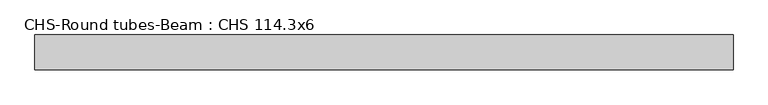
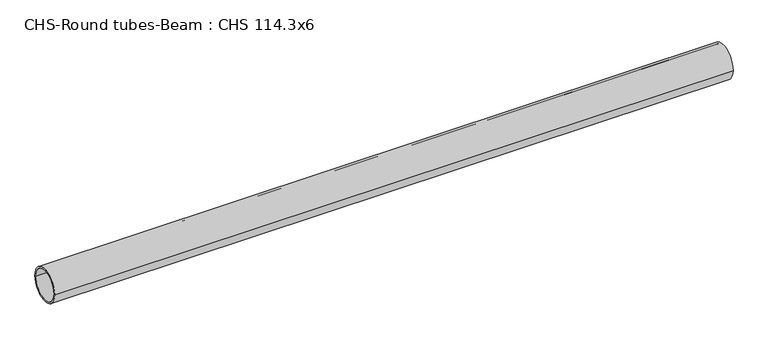
"""IFC4 building model written with IfcOpenShell, lengths in millimetres: beam geometry, CHS-Round tubes-Beam : CHS 114.3x6."""

import ifcopenshell
import ifcopenshell.guid

model = None  # the IFC model being written
_history = None  # IfcOwnerHistory: only IFC2X3 demands one
_inside = {}  # id of a spatial element -> (the spatial element, [elements in it])
_under = {}  # id of a project, library or spatial element -> (it, [spatial elements below it])
_declared = {}  # id of a project -> (the project, [libraries it declares])
_typed = {}  # id of a type object -> (the type object, [elements of that type])
_made_of = {}  # id of a material, layer set ... -> (it, [elements and type objects made of it])


def new_model(schema):
    """Start an empty IFC model of exactly this schema.

    Asked for "IFC4X3", IfcOpenShell would pick the latest addendum, in which some entities
    have other attributes; the version numbers below select the first issue.
    IFC2X3 requires an IfcOwnerHistory on every rooted entity: one is made here for all.
    """
    global model, _history
    if schema == "IFC4X3":
        model = ifcopenshell.file(schema_version=(4, 3, 0, 0))
    else:
        model = ifcopenshell.file(schema=schema)
    _inside.clear()
    _under.clear()
    _declared.clear()
    _typed.clear()
    _made_of.clear()
    _history = None
    if model.schema == "IFC2X3":
        org = make("IfcOrganization", Name="unknown")
        user = make(
            "IfcPersonAndOrganization",
            ThePerson=make("IfcPerson", FamilyName="unknown"),
            TheOrganization=org,
        )
        app = make(
            "IfcApplication",
            ApplicationDeveloper=org,
            Version="unknown",
            ApplicationFullName="unknown",
            ApplicationIdentifier="unknown",
        )
        _history = make(
            "IfcOwnerHistory",
            OwningUser=user,
            OwningApplication=app,
            ChangeAction="ADDED",
            CreationDate=0,
        )
    return model


def make(cls, **values):
    """One entity of the class cls with the attributes given. An attribute that is None is left unset."""
    return model.create_entity(
        cls, **{name: value for name, value in values.items() if value is not None}
    )


def rooted(cls, **values):
    """An entity with a GlobalId (a new one), such as an element, a storey or a relation."""
    return make(cls, GlobalId=ifcopenshell.guid.new(), OwnerHistory=_history, **values)


def si_unit(unit_type, name, prefix=None):
    """IfcSIUnit, for example si_unit("LENGTHUNIT", "METRE", prefix="MILLI")."""
    return make("IfcSIUnit", UnitType=unit_type, Prefix=prefix, Name=name)


def assignment(units):
    """IfcUnitAssignment: the units of a project."""
    return None if units is None else make("IfcUnitAssignment", Units=units)


def point(xyz):
    """IfcCartesianPoint."""
    return None if xyz is None else make("IfcCartesianPoint", Coordinates=xyz)


def direction(xyz):
    """IfcDirection."""
    return None if xyz is None else make("IfcDirection", DirectionRatios=xyz)


def frame(location, z_axis=None, x_axis=None):
    """IfcAxis2Placement3D, a coordinate frame: its origin and axes. An axis left out is left unset."""
    return make(
        "IfcAxis2Placement3D",
        Location=point(location),
        Axis=direction(z_axis),
        RefDirection=direction(x_axis),
    )


def frame_2d(location, x_axis=None):
    """IfcAxis2Placement2D, a coordinate frame in the plane: its origin and x axis."""
    return make(
        "IfcAxis2Placement2D", Location=point(location), RefDirection=direction(x_axis)
    )


def origin():
    """The frame at (0, 0, 0) with its axes left unset."""
    return frame((0.0, 0.0, 0.0))


def origin_2d():
    """The frame at (0, 0) in the plane with its x axis left unset."""
    return frame_2d((0.0, 0.0))


def place(relative_to, where):
    """IfcLocalPlacement: puts the frame where relative to a parent placement (None: the world)."""
    return make(
        "IfcLocalPlacement", PlacementRelTo=relative_to, RelativePlacement=where
    )


def context(
    kind, dimensions, precision=None, world=None, true_north=None, identifier=None
):
    """IfcGeometricRepresentationContext, for example the 3D "Model" context."""
    return make(
        "IfcGeometricRepresentationContext",
        ContextIdentifier=identifier,
        ContextType=kind,
        CoordinateSpaceDimension=dimensions,
        Precision=precision,
        WorldCoordinateSystem=world,
        TrueNorth=true_north,
    )


def project(units=None, contexts=None):
    """IfcProject with its units and contexts."""
    return rooted(
        "IfcProject",
        Name="project",
        RepresentationContexts=contexts,
        UnitsInContext=assignment(units),
    )


def spatial(cls, under=None, at=None, **own):
    """A site, building, storey or space (cls), placed at a placement, below another one or the project."""
    s = rooted(cls, ObjectPlacement=at, **own)
    if under is not None:
        _under.setdefault(under.id(), (under, []))[1].append(s)
    return s


def circle_curve(where, radius):
    """IfcCircle in the frame where."""
    return make("IfcCircle", Position=where, Radius=radius)


def trimmed(basis, trim1, trim2, sense, master):
    """IfcTrimmedCurve: the piece of a basis curve between two trims."""
    return make(
        "IfcTrimmedCurve",
        BasisCurve=basis,
        Trim1=trim1,
        Trim2=trim2,
        SenseAgreement=sense,
        MasterRepresentation=master,
    )


def segment(curve, same_sense, transition):
    """IfcCompositeCurveSegment."""
    return make(
        "IfcCompositeCurveSegment",
        Transition=transition,
        SameSense=same_sense,
        ParentCurve=curve,
    )


def composite_curve(segments, self_intersect=None):
    """IfcCompositeCurve: segments joined end to end."""
    return make("IfcCompositeCurve", Segments=segments, SelfIntersect=self_intersect)


def outline(outer, holes=None, kind="AREA"):
    """IfcArbitraryClosedProfileDef: a profile drawn as a closed curve; with holes, ...WithVoids."""
    if holes is None:
        return make("IfcArbitraryClosedProfileDef", ProfileType=kind, OuterCurve=outer)
    return make(
        "IfcArbitraryProfileDefWithVoids",
        ProfileType=kind,
        OuterCurve=outer,
        InnerCurves=holes,
    )


def extrude(swept, where, along, depth):
    """IfcExtrudedAreaSolid: the profile swept, set in the frame where, extruded along a direction by depth."""
    return make(
        "IfcExtrudedAreaSolid",
        SweptArea=swept,
        Position=where,
        ExtrudedDirection=direction(along),
        Depth=depth,
    )


def shape(context_of_items, identifier, shape_type, items):
    """IfcShapeRepresentation: the items that make up one representation, for example the "Body"."""
    return make(
        "IfcShapeRepresentation",
        ContextOfItems=context_of_items,
        RepresentationIdentifier=identifier,
        RepresentationType=shape_type,
        Items=items,
    )


def source(mapping_origin, context_of_items, identifier, shape_type, items):
    """IfcRepresentationMap: a shape defined once, which mapped items show again and again."""
    return make(
        "IfcRepresentationMap",
        MappingOrigin=mapping_origin,
        MappedRepresentation=shape(context_of_items, identifier, shape_type, items),
    )


def transform(
    local_origin,
    x_axis=None,
    y_axis=None,
    z_axis=None,
    scale=None,
    scale2=None,
    scale3=None,
    uniform=True,
):
    """IfcCartesianTransformationOperator3D, or its non-uniform kind. x_axis, y_axis, z_axis: its Axis1, 2, 3."""
    if uniform:
        return make(
            "IfcCartesianTransformationOperator3D",
            Axis1=direction(x_axis),
            Axis2=direction(y_axis),
            LocalOrigin=point(local_origin),
            Scale=scale,
            Axis3=direction(z_axis),
        )
    return make(
        "IfcCartesianTransformationOperator3DnonUniform",
        Axis1=direction(x_axis),
        Axis2=direction(y_axis),
        LocalOrigin=point(local_origin),
        Scale=scale,
        Axis3=direction(z_axis),
        Scale2=scale2,
        Scale3=scale3,
    )


def mapped(mapping_source, mapping_target):
    """IfcMappedItem: shows the shape of a source again, moved by a transform."""
    return make(
        "IfcMappedItem", MappingSource=mapping_source, MappingTarget=mapping_target
    )


def made_of(thing, what):
    """Note that an element or type object is made of a material, layer set ...; save() writes the relation."""
    if what is not None:
        _made_of.setdefault(what.id(), (what, []))[1].append(thing)
    return thing


def element(
    cls,
    number,
    at=None,
    inside=None,
    cuts=None,
    type_object=None,
    material=None,
    context=None,
    identifier="Body",
    shape_type=None,
    held_by="IfcProductDefinitionShape",
    body=None,
    shapes=None,
    **own,
):
    """One element of the class cls, such as IfcWall. Its Tag is "e" and its number.

    at: its placement. inside: the storey or other place that contains it. cuts: it is an
    opening in that element (IfcRelVoidsElement). A single representation is given by context,
    identifier, shape_type and body (its items); several are given by shapes. held_by: the class
    of the entity that holds the representations. save() writes the other relations.
    """
    e = rooted(cls, Tag="e%d" % number, ObjectPlacement=at, **own)
    if body is not None:
        shapes = [shape(context, identifier, shape_type, body)]
    if shapes is not None:
        e.Representation = make(held_by, Representations=shapes)
    if inside is not None:
        _inside.setdefault(inside.id(), (inside, []))[1].append(e)
    if cuts is not None:
        rooted(
            "IfcRelVoidsElement", RelatingBuildingElement=cuts, RelatedOpeningElement=e
        )
    if type_object is not None:
        _typed.setdefault(type_object.id(), (type_object, []))[1].append(e)
    return made_of(e, material)


def aggregate(whole, parts):
    """IfcRelAggregates: a whole, such as a stair, and the parts it consists of."""
    return rooted("IfcRelAggregates", RelatingObject=whole, RelatedObjects=parts)


def save(model, path):
    """Write the relations noted so far, then the file.

    IfcRelAggregates (storeys below a building ...), IfcRelContainedInSpatialStructure (elements
    in a storey), IfcRelDefinesByType, IfcRelAssociatesMaterial and IfcRelDeclares: one each for
    every whole, place, type object, material and project.
    """
    for whole, parts in _under.values():
        aggregate(whole, parts)
    for where, things in _inside.values():
        rooted(
            "IfcRelContainedInSpatialStructure",
            RelatedElements=things,
            RelatingStructure=where,
        )
    for kind, things in _typed.values():
        rooted("IfcRelDefinesByType", RelatedObjects=things, RelatingType=kind)
    for what, things in _made_of.values():
        rooted("IfcRelAssociatesMaterial", RelatedObjects=things, RelatingMaterial=what)
    for by, libraries in _declared.values():
        rooted("IfcRelDeclares", RelatingContext=by, RelatedDefinitions=libraries)
    model.write(path)


def chs_round_tubes_beam_chs_114_3x6_bf800af9(model_context):
    return source(origin(), model_context, "Body", "SweptSolid", [
        extrude(outline(composite_curve([segment(trimmed(circle_curve(origin_2d(), 57.15), [point((57.15, 0.0))], [point((-57.15, 0.0))], False, "CARTESIAN"), True, "CONTINUOUS"), segment(trimmed(circle_curve(origin_2d(), 57.15), [point((-57.15, 0.0))], [point((57.15, 0.0))], False, "CARTESIAN"), True, "CONTINUOUS")], self_intersect=False), holes=[composite_curve([segment(trimmed(circle_curve(origin_2d(), 51.15), [point((51.15, 0.0))], [point((-51.15, 0.0))], True, "CARTESIAN"), True, "CONTINUOUS"), segment(trimmed(circle_curve(origin_2d(), 51.15), [point((-51.15, 0.0))], [point((51.15, 0.0))], True, "CARTESIAN"), True, "CONTINUOUS")], self_intersect=False)]), frame((-979.7334617, 0.0, 0.0), z_axis=(1.0, 0.0, 0.0), x_axis=(0.0, 1.0, 0.0)), (0.0, 0.0, 1.0), 2279.7226756),
    ])


if __name__ == "__main__":
    model = new_model("IFC4")
    model_context = context("Model", 3, world=origin())
    ifc_project = project(units=[si_unit("LENGTHUNIT", "METRE", prefix="MILLI")], contexts=[model_context])
    site = spatial("IfcSite", under=ifc_project)
    building = spatial("IfcBuilding", under=site)
    placement = place(None, origin())
    chs_round_tubes_beam_chs_114_3x6_shape = chs_round_tubes_beam_chs_114_3x6_bf800af9(model_context)
    element("IfcBeam", 1, ObjectType="CHS-Round tubes-Beam : CHS 114.3x6", at=placement, inside=building, context=model_context, shape_type="MappedRepresentation", body=[
        mapped(chs_round_tubes_beam_chs_114_3x6_shape, transform((0.0, 0.0, 0.0), x_axis=(1.0, 0.0, 0.0), y_axis=(0.0, 1.0, 0.0), z_axis=(0.0, 0.0, 1.0))),
    ])
    save(model, "model.ifc")
